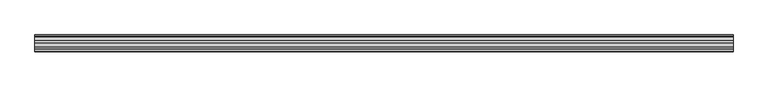
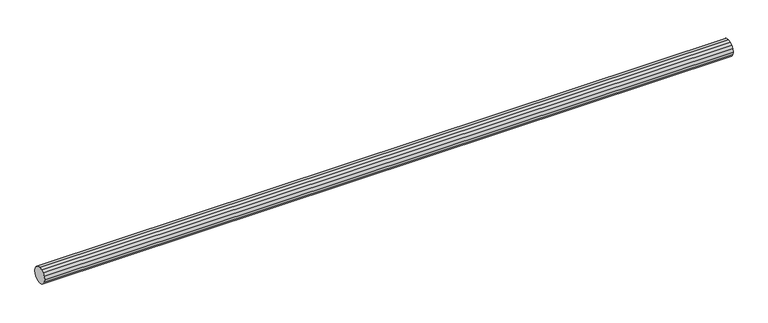
"""IFC4 building model written with IfcOpenShell, lengths in millimetres: beam geometry."""

from ifc_helpers import new_model, si_unit, frame, origin, place, context, project, spatial, polyline, outline, extrude, source, transform, mapped, element, save


def beam_71f73162(model_context):
    return source(origin(), model_context, "Body", "SweptSolid", [
        extrude(outline(polyline([(10.6568654, 86.4243195), (0.0, 140.0), (10.6568654, 193.5756805), (41.0050506, 238.9949494), (86.4243195, 269.3431346), (140.0, 280.0), (193.5756805, 269.3431346), (238.9949494, 238.9949494), (269.3431346, 193.5756805), (280.0, 140.0), (269.3431346, 86.4243195), (238.9949494, 41.0050506), (193.5756805, 10.6568654), (140.0, 0.0), (86.4243195, 10.6568654), (41.0050506, 41.0050506), (10.6568654, 86.4243195)])), frame((0.0, 0.0, 0.0), z_axis=(1.0, 0.0, 0.0), x_axis=(0.0, 1.0, 0.0)), (0.0, 0.0, 1.0), 11605.0),
    ])


if __name__ == "__main__":
    model = new_model("IFC4")
    model_context = context("Model", 3, world=origin())
    ifc_project = project(units=[si_unit("LENGTHUNIT", "METRE", prefix="MILLI")], contexts=[model_context])
    site = spatial("IfcSite", under=ifc_project)
    building = spatial("IfcBuilding", under=site)
    placement = place(None, origin())
    beam_shape = beam_71f73162(model_context)
    element("IfcBeam", 1, at=placement, inside=building, context=model_context, shape_type="MappedRepresentation", body=[
        mapped(beam_shape, transform((0.0, 0.0, 0.0), x_axis=(1.0, 0.0, 0.0), y_axis=(0.0, 1.0, 0.0), z_axis=(0.0, 0.0, 1.0))),
    ])
    save(model, "model.ifc")
